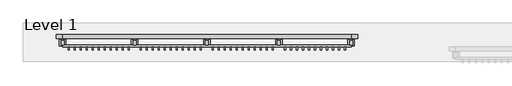
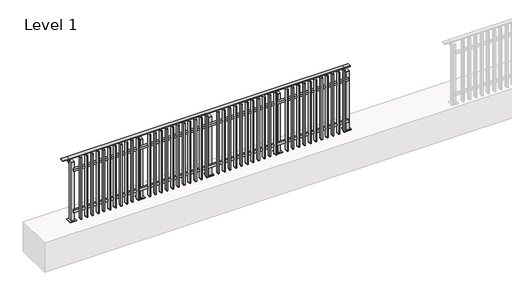
# One storey, part 4 of 17: 1 railing.
"""IFC4 building model written with IfcOpenShell, lengths in millimetres."""

from ifc_helpers import new_model, si_unit, point, frame, frame_2d, origin, origin_with_axes, place, context, project, spatial, polyline, circle_curve, trimmed, segment, composite_curve, outline, extrude, faceted_brep, element, save

model = new_model("IFC4")

# Units and contexts
model_context = context("Model", 3, world=origin())
ifc_project = project(units=[si_unit("LENGTHUNIT", "METRE", prefix="MILLI")], contexts=[model_context])

# Site, building, storey
site = spatial("IfcSite", under=ifc_project)
building = spatial("IfcBuilding", under=site)
storey = spatial("IfcBuildingStorey", under=building, Name="Level 1", Elevation=0.0)

# Railing
placement = place(None, origin())
element("IfcRailing", 1, at=placement, inside=storey, context=model_context, shape_type="SolidModel", body=[
    faceted_brep([(0.0, 315.1846828, 985.0), (0.0, 315.1846828, 1000.0), (4400.0, 315.1846828, 1000.0), (4400.0, 315.1846828, 985.0), (0.0, 255.1846828, 985.0), (4400.0, 255.1846828, 985.0), (0.0, 255.1846828, 1000.0), (4400.0, 255.1846828, 1000.0), (-100.0, 315.1846828, 1000.0), (-100.0, 315.1846828, 985.0), (-100.0, 255.1846828, 985.0), (-100.0, 255.1846828, 1000.0), (4500.0, 315.1846828, 1000.0), (4500.0, 255.1846828, 1000.0), (4500.0, 255.1846828, 985.0), (4500.0, 315.1846828, 985.0)], [[[0, 1, 2, 3]], [[4, 0, 3, 5]], [[6, 4, 5, 7]], [[1, 6, 7, 2]], [[8, 9, 10, 11]], [[9, 8, 1, 0]], [[10, 9, 0, 4]], [[11, 10, 4, 6]], [[8, 11, 6, 1]], [[12, 13, 14, 15]], [[3, 2, 12, 15]], [[5, 3, 15, 14]], [[7, 5, 14, 13]], [[2, 7, 13, 12]]]),
    extrude(outline(polyline([(0.0, 125.6846828), (0.0, 157.6846828), (4400.0, 157.6846828), (4400.0, 125.6846828), (0.0, 125.6846828)])), frame((0.0, 0.0, 164.0), z_axis=(0.0, 0.0, 1.0), x_axis=(1.0, 0.0, 0.0)), (0.0, 0.0, 1.0), 36.0),
    extrude(outline(polyline([(0.0, 125.6846828), (0.0, 157.6846828), (4400.0, 157.6846828), (4400.0, 125.6846828), (0.0, 125.6846828)])), frame((0.0, 0.0, 864.0), z_axis=(0.0, 0.0, 1.0), x_axis=(1.0, 0.0, 0.0)), (0.0, 0.0, 1.0), 36.0),
    extrude(outline(polyline([(4316.8333333, 125.6846828), (4316.8333333, 76.6846828), (4299.8333333, 76.6846828), (4299.8333333, 125.6846828), (4316.8333333, 125.6846828)])), frame((0.0, 0.0, 50.0), z_axis=(0.0, 0.0, 1.0), x_axis=(1.0, 0.0, 0.0)), (0.0, 0.0, 1.0), 5.0),
    extrude(outline(polyline([(4316.8333333, 125.6846828), (4316.8333333, 76.6846828), (4299.8333333, 76.6846828), (4299.8333333, 125.6846828), (4316.8333333, 125.6846828)])), frame((0.0, 0.0, 1095.0), z_axis=(0.0, 0.0, 1.0), x_axis=(1.0, 0.0, 0.0)), (0.0, 0.0, 1.0), 5.0),
    extrude(outline(polyline([(4299.8333333, 76.6846828), (4299.8333333, 125.6846828), (4316.8333333, 125.6846828), (4316.8333333, 76.6846828), (4299.8333333, 76.6846828)])), frame((0.0, 0.0, 55.0), z_axis=(0.0, 0.0, 1.0), x_axis=(1.0, 0.0, 0.0)), (0.0, 0.0, 1.0), 1040.0),
    extrude(outline(polyline([(4225.1666667, 125.6846828), (4225.1666667, 76.6846828), (4208.1666667, 76.6846828), (4208.1666667, 125.6846828), (4225.1666667, 125.6846828)])), frame((0.0, 0.0, 50.0), z_axis=(0.0, 0.0, 1.0), x_axis=(1.0, 0.0, 0.0)), (0.0, 0.0, 1.0), 5.0),
    extrude(outline(polyline([(4225.1666667, 125.6846828), (4225.1666667, 76.6846828), (4208.1666667, 76.6846828), (4208.1666667, 125.6846828), (4225.1666667, 125.6846828)])), frame((0.0, 0.0, 1095.0), z_axis=(0.0, 0.0, 1.0), x_axis=(1.0, 0.0, 0.0)), (0.0, 0.0, 1.0), 5.0),
    extrude(outline(polyline([(4208.1666667, 76.6846828), (4208.1666667, 125.6846828), (4225.1666667, 125.6846828), (4225.1666667, 76.6846828), (4208.1666667, 76.6846828)])), frame((0.0, 0.0, 55.0), z_axis=(0.0, 0.0, 1.0), x_axis=(1.0, 0.0, 0.0)), (0.0, 0.0, 1.0), 1040.0),
    extrude(outline(polyline([(4133.5, 125.6846828), (4133.5, 76.6846828), (4116.5, 76.6846828), (4116.5, 125.6846828), (4133.5, 125.6846828)])), frame((0.0, 0.0, 50.0), z_axis=(0.0, 0.0, 1.0), x_axis=(1.0, 0.0, 0.0)), (0.0, 0.0, 1.0), 5.0),
    extrude(outline(polyline([(4133.5, 125.6846828), (4133.5, 76.6846828), (4116.5, 76.6846828), (4116.5, 125.6846828), (4133.5, 125.6846828)])), frame((0.0, 0.0, 1095.0), z_axis=(0.0, 0.0, 1.0), x_axis=(1.0, 0.0, 0.0)), (0.0, 0.0, 1.0), 5.0),
    extrude(outline(polyline([(4116.5, 76.6846828), (4116.5, 125.6846828), (4133.5, 125.6846828), (4133.5, 76.6846828), (4116.5, 76.6846828)])), frame((0.0, 0.0, 55.0), z_axis=(0.0, 0.0, 1.0), x_axis=(1.0, 0.0, 0.0)), (0.0, 0.0, 1.0), 1040.0),
    extrude(outline(polyline([(4041.8333333, 125.6846828), (4041.8333333, 76.6846828), (4024.8333333, 76.6846828), (4024.8333333, 125.6846828), (4041.8333333, 125.6846828)])), frame((0.0, 0.0, 50.0), z_axis=(0.0, 0.0, 1.0), x_axis=(1.0, 0.0, 0.0)), (0.0, 0.0, 1.0), 5.0),
    extrude(outline(polyline([(4041.8333333, 125.6846828), (4041.8333333, 76.6846828), (4024.8333333, 76.6846828), (4024.8333333, 125.6846828), (4041.8333333, 125.6846828)])), frame((0.0, 0.0, 1095.0), z_axis=(0.0, 0.0, 1.0), x_axis=(1.0, 0.0, 0.0)), (0.0, 0.0, 1.0), 5.0),
    extrude(outline(polyline([(4024.8333333, 76.6846828), (4024.8333333, 125.6846828), (4041.8333333, 125.6846828), (4041.8333333, 76.6846828), (4024.8333333, 76.6846828)])), frame((0.0, 0.0, 55.0), z_axis=(0.0, 0.0, 1.0), x_axis=(1.0, 0.0, 0.0)), (0.0, 0.0, 1.0), 1040.0),
    extrude(outline(polyline([(3950.1666667, 125.6846828), (3950.1666667, 76.6846828), (3933.1666667, 76.6846828), (3933.1666667, 125.6846828), (3950.1666667, 125.6846828)])), frame((0.0, 0.0, 50.0), z_axis=(0.0, 0.0, 1.0), x_axis=(1.0, 0.0, 0.0)), (0.0, 0.0, 1.0), 5.0),
    extrude(outline(polyline([(3950.1666667, 125.6846828), (3950.1666667, 76.6846828), (3933.1666667, 76.6846828), (3933.1666667, 125.6846828), (3950.1666667, 125.6846828)])), frame((0.0, 0.0, 1095.0), z_axis=(0.0, 0.0, 1.0), x_axis=(1.0, 0.0, 0.0)), (0.0, 0.0, 1.0), 5.0),
    extrude(outline(polyline([(3933.1666667, 76.6846828), (3933.1666667, 125.6846828), (3950.1666667, 125.6846828), (3950.1666667, 76.6846828), (3933.1666667, 76.6846828)])), frame((0.0, 0.0, 55.0), z_axis=(0.0, 0.0, 1.0), x_axis=(1.0, 0.0, 0.0)), (0.0, 0.0, 1.0), 1040.0),
    extrude(outline(polyline([(3858.5, 125.6846828), (3858.5, 76.6846828), (3841.5, 76.6846828), (3841.5, 125.6846828), (3858.5, 125.6846828)])), frame((0.0, 0.0, 50.0), z_axis=(0.0, 0.0, 1.0), x_axis=(1.0, 0.0, 0.0)), (0.0, 0.0, 1.0), 5.0),
    extrude(outline(polyline([(3858.5, 125.6846828), (3858.5, 76.6846828), (3841.5, 76.6846828), (3841.5, 125.6846828), (3858.5, 125.6846828)])), frame((0.0, 0.0, 1095.0), z_axis=(0.0, 0.0, 1.0), x_axis=(1.0, 0.0, 0.0)), (0.0, 0.0, 1.0), 5.0),
    extrude(outline(polyline([(3841.5, 76.6846828), (3841.5, 125.6846828), (3858.5, 125.6846828), (3858.5, 76.6846828), (3841.5, 76.6846828)])), frame((0.0, 0.0, 55.0), z_axis=(0.0, 0.0, 1.0), x_axis=(1.0, 0.0, 0.0)), (0.0, 0.0, 1.0), 1040.0),
    extrude(outline(polyline([(3766.8333333, 125.6846828), (3766.8333333, 76.6846828), (3749.8333333, 76.6846828), (3749.8333333, 125.6846828), (3766.8333333, 125.6846828)])), frame((0.0, 0.0, 50.0), z_axis=(0.0, 0.0, 1.0), x_axis=(1.0, 0.0, 0.0)), (0.0, 0.0, 1.0), 5.0),
    extrude(outline(polyline([(3766.8333333, 125.6846828), (3766.8333333, 76.6846828), (3749.8333333, 76.6846828), (3749.8333333, 125.6846828), (3766.8333333, 125.6846828)])), frame((0.0, 0.0, 1095.0), z_axis=(0.0, 0.0, 1.0), x_axis=(1.0, 0.0, 0.0)), (0.0, 0.0, 1.0), 5.0),
    extrude(outline(polyline([(3749.8333333, 76.6846828), (3749.8333333, 125.6846828), (3766.8333333, 125.6846828), (3766.8333333, 76.6846828), (3749.8333333, 76.6846828)])), frame((0.0, 0.0, 55.0), z_axis=(0.0, 0.0, 1.0), x_axis=(1.0, 0.0, 0.0)), (0.0, 0.0, 1.0), 1040.0),
    extrude(outline(polyline([(3675.1666667, 125.6846828), (3675.1666667, 76.6846828), (3658.1666667, 76.6846828), (3658.1666667, 125.6846828), (3675.1666667, 125.6846828)])), frame((0.0, 0.0, 50.0), z_axis=(0.0, 0.0, 1.0), x_axis=(1.0, 0.0, 0.0)), (0.0, 0.0, 1.0), 5.0),
    extrude(outline(polyline([(3675.1666667, 125.6846828), (3675.1666667, 76.6846828), (3658.1666667, 76.6846828), (3658.1666667, 125.6846828), (3675.1666667, 125.6846828)])), frame((0.0, 0.0, 1095.0), z_axis=(0.0, 0.0, 1.0), x_axis=(1.0, 0.0, 0.0)), (0.0, 0.0, 1.0), 5.0),
    extrude(outline(polyline([(3658.1666667, 76.6846828), (3658.1666667, 125.6846828), (3675.1666667, 125.6846828), (3675.1666667, 76.6846828), (3658.1666667, 76.6846828)])), frame((0.0, 0.0, 55.0), z_axis=(0.0, 0.0, 1.0), x_axis=(1.0, 0.0, 0.0)), (0.0, 0.0, 1.0), 1040.0),
    extrude(outline(polyline([(3583.5, 125.6846828), (3583.5, 76.6846828), (3566.5, 76.6846828), (3566.5, 125.6846828), (3583.5, 125.6846828)])), frame((0.0, 0.0, 50.0), z_axis=(0.0, 0.0, 1.0), x_axis=(1.0, 0.0, 0.0)), (0.0, 0.0, 1.0), 5.0),
    extrude(outline(polyline([(3583.5, 125.6846828), (3583.5, 76.6846828), (3566.5, 76.6846828), (3566.5, 125.6846828), (3583.5, 125.6846828)])), frame((0.0, 0.0, 1095.0), z_axis=(0.0, 0.0, 1.0), x_axis=(1.0, 0.0, 0.0)), (0.0, 0.0, 1.0), 5.0),
    extrude(outline(polyline([(3566.5, 76.6846828), (3566.5, 125.6846828), (3583.5, 125.6846828), (3583.5, 76.6846828), (3566.5, 76.6846828)])), frame((0.0, 0.0, 55.0), z_axis=(0.0, 0.0, 1.0), x_axis=(1.0, 0.0, 0.0)), (0.0, 0.0, 1.0), 1040.0),
    extrude(outline(polyline([(3491.8333333, 125.6846828), (3491.8333333, 76.6846828), (3474.8333333, 76.6846828), (3474.8333333, 125.6846828), (3491.8333333, 125.6846828)])), frame((0.0, 0.0, 50.0), z_axis=(0.0, 0.0, 1.0), x_axis=(1.0, 0.0, 0.0)), (0.0, 0.0, 1.0), 5.0),
    extrude(outline(polyline([(3491.8333333, 125.6846828), (3491.8333333, 76.6846828), (3474.8333333, 76.6846828), (3474.8333333, 125.6846828), (3491.8333333, 125.6846828)])), frame((0.0, 0.0, 1095.0), z_axis=(0.0, 0.0, 1.0), x_axis=(1.0, 0.0, 0.0)), (0.0, 0.0, 1.0), 5.0),
    extrude(outline(polyline([(3474.8333333, 76.6846828), (3474.8333333, 125.6846828), (3491.8333333, 125.6846828), (3491.8333333, 76.6846828), (3474.8333333, 76.6846828)])), frame((0.0, 0.0, 55.0), z_axis=(0.0, 0.0, 1.0), x_axis=(1.0, 0.0, 0.0)), (0.0, 0.0, 1.0), 1040.0),
    extrude(outline(polyline([(3400.1666667, 125.6846828), (3400.1666667, 76.6846828), (3383.1666667, 76.6846828), (3383.1666667, 125.6846828), (3400.1666667, 125.6846828)])), frame((0.0, 0.0, 50.0), z_axis=(0.0, 0.0, 1.0), x_axis=(1.0, 0.0, 0.0)), (0.0, 0.0, 1.0), 5.0),
    extrude(outline(polyline([(3400.1666667, 125.6846828), (3400.1666667, 76.6846828), (3383.1666667, 76.6846828), (3383.1666667, 125.6846828), (3400.1666667, 125.6846828)])), frame((0.0, 0.0, 1095.0), z_axis=(0.0, 0.0, 1.0), x_axis=(1.0, 0.0, 0.0)), (0.0, 0.0, 1.0), 5.0),
    extrude(outline(polyline([(3383.1666667, 76.6846828), (3383.1666667, 125.6846828), (3400.1666667, 125.6846828), (3400.1666667, 76.6846828), (3383.1666667, 76.6846828)])), frame((0.0, 0.0, 55.0), z_axis=(0.0, 0.0, 1.0), x_axis=(1.0, 0.0, 0.0)), (0.0, 0.0, 1.0), 1040.0),
    extrude(outline(composite_curve([segment(polyline([(310.6846828, 985.0), (310.6846828, 960.900037)]), True, "CONTINUOUS"), segment(trimmed(circle_curve(frame_2d((300.6846828, 960.900037)), 10.0), [point((310.6846828, 960.900037))], [point((303.2728733, 951.2407787))], False, "CARTESIAN"), True, "CONTINUOUS"), segment(polyline([(303.2728733, 951.2407787), (246.2244733, 935.9547061)]), True, "CONTINUOUS"), segment(trimmed(circle_curve(frame_2d((248.8126638, 926.2954478)), 10.0), [point((246.2244733, 935.9547061))], [point((238.8982152, 927.6007097))], True, "CARTESIAN"), True, "CONTINUOUS"), segment(polyline([(238.8982152, 927.6007097), (234.291393, 892.6084214)]), True, "CONTINUOUS"), segment(trimmed(circle_curve(frame_2d((231.3170584, 893.0)), 3.0), [point((234.291393, 892.6084214))], [point((231.3170584, 890.0))], False, "CARTESIAN"), True, "CONTINUOUS"), segment(polyline([(231.3170584, 890.0), (222.6846828, 890.0), (222.6846828, 940.0), (286.6846828, 957.1487483), (286.6846828, 985.0), (310.6846828, 985.0)]), True, "CONTINUOUS")], self_intersect=False)), frame((3287.5, 0.0, 0.0), z_axis=(1.0, 0.0, 0.0), x_axis=(0.0, 1.0, 0.0)), (0.0, 0.0, 1.0), 25.0),
    extrude(outline(polyline([(3322.5, 222.6846828), (3322.5, 157.6846828), (3277.5, 157.6846828), (3277.5, 222.6846828), (3322.5, 222.6846828)])), frame((0.0, 0.0, 1000.0), z_axis=(0.0, 0.0, 1.0), x_axis=(1.0, 0.0, 0.0)), (0.0, 0.0, 1.0), 5.0),
    extrude(outline(polyline([(3350.0, 240.1846828), (3350.0, 140.1846828), (3250.0, 140.1846828), (3250.0, 240.1846828), (3350.0, 240.1846828)])), origin_with_axes(), (0.0, 0.0, 1.0), 12.0),
    extrude(outline(polyline([(3322.5, 222.6846828), (3322.5, 157.6846828), (3277.5, 157.6846828), (3277.5, 222.6846828), (3322.5, 222.6846828)])), frame((0.0, 0.0, 12.0), z_axis=(0.0, 0.0, 1.0), x_axis=(1.0, 0.0, 0.0)), (0.0, 0.0, 1.0), 988.0),
    extrude(outline(polyline([(3216.8333333, 125.6846828), (3216.8333333, 76.6846828), (3199.8333333, 76.6846828), (3199.8333333, 125.6846828), (3216.8333333, 125.6846828)])), frame((0.0, 0.0, 50.0), z_axis=(0.0, 0.0, 1.0), x_axis=(1.0, 0.0, 0.0)), (0.0, 0.0, 1.0), 5.0),
    extrude(outline(polyline([(3216.8333333, 125.6846828), (3216.8333333, 76.6846828), (3199.8333333, 76.6846828), (3199.8333333, 125.6846828), (3216.8333333, 125.6846828)])), frame((0.0, 0.0, 1095.0), z_axis=(0.0, 0.0, 1.0), x_axis=(1.0, 0.0, 0.0)), (0.0, 0.0, 1.0), 5.0),
    extrude(outline(polyline([(3199.8333333, 76.6846828), (3199.8333333, 125.6846828), (3216.8333333, 125.6846828), (3216.8333333, 76.6846828), (3199.8333333, 76.6846828)])), frame((0.0, 0.0, 55.0), z_axis=(0.0, 0.0, 1.0), x_axis=(1.0, 0.0, 0.0)), (0.0, 0.0, 1.0), 1040.0),
    extrude(outline(polyline([(3125.1666667, 125.6846828), (3125.1666667, 76.6846828), (3108.1666667, 76.6846828), (3108.1666667, 125.6846828), (3125.1666667, 125.6846828)])), frame((0.0, 0.0, 50.0), z_axis=(0.0, 0.0, 1.0), x_axis=(1.0, 0.0, 0.0)), (0.0, 0.0, 1.0), 5.0),
    extrude(outline(polyline([(3125.1666667, 125.6846828), (3125.1666667, 76.6846828), (3108.1666667, 76.6846828), (3108.1666667, 125.6846828), (3125.1666667, 125.6846828)])), frame((0.0, 0.0, 1095.0), z_axis=(0.0, 0.0, 1.0), x_axis=(1.0, 0.0, 0.0)), (0.0, 0.0, 1.0), 5.0),
    extrude(outline(polyline([(3108.1666667, 76.6846828), (3108.1666667, 125.6846828), (3125.1666667, 125.6846828), (3125.1666667, 76.6846828), (3108.1666667, 76.6846828)])), frame((0.0, 0.0, 55.0), z_axis=(0.0, 0.0, 1.0), x_axis=(1.0, 0.0, 0.0)), (0.0, 0.0, 1.0), 1040.0),
    extrude(outline(polyline([(3033.5, 125.6846828), (3033.5, 76.6846828), (3016.5, 76.6846828), (3016.5, 125.6846828), (3033.5, 125.6846828)])), frame((0.0, 0.0, 50.0), z_axis=(0.0, 0.0, 1.0), x_axis=(1.0, 0.0, 0.0)), (0.0, 0.0, 1.0), 5.0),
    extrude(outline(polyline([(3033.5, 125.6846828), (3033.5, 76.6846828), (3016.5, 76.6846828), (3016.5, 125.6846828), (3033.5, 125.6846828)])), frame((0.0, 0.0, 1095.0), z_axis=(0.0, 0.0, 1.0), x_axis=(1.0, 0.0, 0.0)), (0.0, 0.0, 1.0), 5.0),
    extrude(outline(polyline([(3016.5, 76.6846828), (3016.5, 125.6846828), (3033.5, 125.6846828), (3033.5, 76.6846828), (3016.5, 76.6846828)])), frame((0.0, 0.0, 55.0), z_axis=(0.0, 0.0, 1.0), x_axis=(1.0, 0.0, 0.0)), (0.0, 0.0, 1.0), 1040.0),
    extrude(outline(polyline([(2941.8333333, 125.6846828), (2941.8333333, 76.6846828), (2924.8333333, 76.6846828), (2924.8333333, 125.6846828), (2941.8333333, 125.6846828)])), frame((0.0, 0.0, 50.0), z_axis=(0.0, 0.0, 1.0), x_axis=(1.0, 0.0, 0.0)), (0.0, 0.0, 1.0), 5.0),
    extrude(outline(polyline([(2941.8333333, 125.6846828), (2941.8333333, 76.6846828), (2924.8333333, 76.6846828), (2924.8333333, 125.6846828), (2941.8333333, 125.6846828)])), frame((0.0, 0.0, 1095.0), z_axis=(0.0, 0.0, 1.0), x_axis=(1.0, 0.0, 0.0)), (0.0, 0.0, 1.0), 5.0),
    extrude(outline(polyline([(2924.8333333, 76.6846828), (2924.8333333, 125.6846828), (2941.8333333, 125.6846828), (2941.8333333, 76.6846828), (2924.8333333, 76.6846828)])), frame((0.0, 0.0, 55.0), z_axis=(0.0, 0.0, 1.0), x_axis=(1.0, 0.0, 0.0)), (0.0, 0.0, 1.0), 1040.0),
    extrude(outline(polyline([(2850.1666667, 125.6846828), (2850.1666667, 76.6846828), (2833.1666667, 76.6846828), (2833.1666667, 125.6846828), (2850.1666667, 125.6846828)])), frame((0.0, 0.0, 50.0), z_axis=(0.0, 0.0, 1.0), x_axis=(1.0, 0.0, 0.0)), (0.0, 0.0, 1.0), 5.0),
    extrude(outline(polyline([(2850.1666667, 125.6846828), (2850.1666667, 76.6846828), (2833.1666667, 76.6846828), (2833.1666667, 125.6846828), (2850.1666667, 125.6846828)])), frame((0.0, 0.0, 1095.0), z_axis=(0.0, 0.0, 1.0), x_axis=(1.0, 0.0, 0.0)), (0.0, 0.0, 1.0), 5.0),
    extrude(outline(polyline([(2833.1666667, 76.6846828), (2833.1666667, 125.6846828), (2850.1666667, 125.6846828), (2850.1666667, 76.6846828), (2833.1666667, 76.6846828)])), frame((0.0, 0.0, 55.0), z_axis=(0.0, 0.0, 1.0), x_axis=(1.0, 0.0, 0.0)), (0.0, 0.0, 1.0), 1040.0),
    extrude(outline(polyline([(2758.5, 125.6846828), (2758.5, 76.6846828), (2741.5, 76.6846828), (2741.5, 125.6846828), (2758.5, 125.6846828)])), frame((0.0, 0.0, 50.0), z_axis=(0.0, 0.0, 1.0), x_axis=(1.0, 0.0, 0.0)), (0.0, 0.0, 1.0), 5.0),
    extrude(outline(polyline([(2758.5, 125.6846828), (2758.5, 76.6846828), (2741.5, 76.6846828), (2741.5, 125.6846828), (2758.5, 125.6846828)])), frame((0.0, 0.0, 1095.0), z_axis=(0.0, 0.0, 1.0), x_axis=(1.0, 0.0, 0.0)), (0.0, 0.0, 1.0), 5.0),
    extrude(outline(polyline([(2741.5, 76.6846828), (2741.5, 125.6846828), (2758.5, 125.6846828), (2758.5, 76.6846828), (2741.5, 76.6846828)])), frame((0.0, 0.0, 55.0), z_axis=(0.0, 0.0, 1.0), x_axis=(1.0, 0.0, 0.0)), (0.0, 0.0, 1.0), 1040.0),
    extrude(outline(polyline([(2666.8333333, 125.6846828), (2666.8333333, 76.6846828), (2649.8333333, 76.6846828), (2649.8333333, 125.6846828), (2666.8333333, 125.6846828)])), frame((0.0, 0.0, 50.0), z_axis=(0.0, 0.0, 1.0), x_axis=(1.0, 0.0, 0.0)), (0.0, 0.0, 1.0), 5.0),
    extrude(outline(polyline([(2666.8333333, 125.6846828), (2666.8333333, 76.6846828), (2649.8333333, 76.6846828), (2649.8333333, 125.6846828), (2666.8333333, 125.6846828)])), frame((0.0, 0.0, 1095.0), z_axis=(0.0, 0.0, 1.0), x_axis=(1.0, 0.0, 0.0)), (0.0, 0.0, 1.0), 5.0),
    extrude(outline(polyline([(2649.8333333, 76.6846828), (2649.8333333, 125.6846828), (2666.8333333, 125.6846828), (2666.8333333, 76.6846828), (2649.8333333, 76.6846828)])), frame((0.0, 0.0, 55.0), z_axis=(0.0, 0.0, 1.0), x_axis=(1.0, 0.0, 0.0)), (0.0, 0.0, 1.0), 1040.0),
    extrude(outline(polyline([(2575.1666667, 125.6846828), (2575.1666667, 76.6846828), (2558.1666667, 76.6846828), (2558.1666667, 125.6846828), (2575.1666667, 125.6846828)])), frame((0.0, 0.0, 50.0), z_axis=(0.0, 0.0, 1.0), x_axis=(1.0, 0.0, 0.0)), (0.0, 0.0, 1.0), 5.0),
    extrude(outline(polyline([(2575.1666667, 125.6846828), (2575.1666667, 76.6846828), (2558.1666667, 76.6846828), (2558.1666667, 125.6846828), (2575.1666667, 125.6846828)])), frame((0.0, 0.0, 1095.0), z_axis=(0.0, 0.0, 1.0), x_axis=(1.0, 0.0, 0.0)), (0.0, 0.0, 1.0), 5.0),
    extrude(outline(polyline([(2558.1666667, 76.6846828), (2558.1666667, 125.6846828), (2575.1666667, 125.6846828), (2575.1666667, 76.6846828), (2558.1666667, 76.6846828)])), frame((0.0, 0.0, 55.0), z_axis=(0.0, 0.0, 1.0), x_axis=(1.0, 0.0, 0.0)), (0.0, 0.0, 1.0), 1040.0),
    extrude(outline(polyline([(2483.5, 125.6846828), (2483.5, 76.6846828), (2466.5, 76.6846828), (2466.5, 125.6846828), (2483.5, 125.6846828)])), frame((0.0, 0.0, 50.0), z_axis=(0.0, 0.0, 1.0), x_axis=(1.0, 0.0, 0.0)), (0.0, 0.0, 1.0), 5.0),
    extrude(outline(polyline([(2483.5, 125.6846828), (2483.5, 76.6846828), (2466.5, 76.6846828), (2466.5, 125.6846828), (2483.5, 125.6846828)])), frame((0.0, 0.0, 1095.0), z_axis=(0.0, 0.0, 1.0), x_axis=(1.0, 0.0, 0.0)), (0.0, 0.0, 1.0), 5.0),
    extrude(outline(polyline([(2466.5, 76.6846828), (2466.5, 125.6846828), (2483.5, 125.6846828), (2483.5, 76.6846828), (2466.5, 76.6846828)])), frame((0.0, 0.0, 55.0), z_axis=(0.0, 0.0, 1.0), x_axis=(1.0, 0.0, 0.0)), (0.0, 0.0, 1.0), 1040.0),
    extrude(outline(polyline([(2391.8333333, 125.6846828), (2391.8333333, 76.6846828), (2374.8333333, 76.6846828), (2374.8333333, 125.6846828), (2391.8333333, 125.6846828)])), frame((0.0, 0.0, 50.0), z_axis=(0.0, 0.0, 1.0), x_axis=(1.0, 0.0, 0.0)), (0.0, 0.0, 1.0), 5.0),
    extrude(outline(polyline([(2391.8333333, 125.6846828), (2391.8333333, 76.6846828), (2374.8333333, 76.6846828), (2374.8333333, 125.6846828), (2391.8333333, 125.6846828)])), frame((0.0, 0.0, 1095.0), z_axis=(0.0, 0.0, 1.0), x_axis=(1.0, 0.0, 0.0)), (0.0, 0.0, 1.0), 5.0),
    extrude(outline(polyline([(2374.8333333, 76.6846828), (2374.8333333, 125.6846828), (2391.8333333, 125.6846828), (2391.8333333, 76.6846828), (2374.8333333, 76.6846828)])), frame((0.0, 0.0, 55.0), z_axis=(0.0, 0.0, 1.0), x_axis=(1.0, 0.0, 0.0)), (0.0, 0.0, 1.0), 1040.0),
    extrude(outline(polyline([(2300.1666667, 125.6846828), (2300.1666667, 76.6846828), (2283.1666667, 76.6846828), (2283.1666667, 125.6846828), (2300.1666667, 125.6846828)])), frame((0.0, 0.0, 50.0), z_axis=(0.0, 0.0, 1.0), x_axis=(1.0, 0.0, 0.0)), (0.0, 0.0, 1.0), 5.0),
    extrude(outline(polyline([(2300.1666667, 125.6846828), (2300.1666667, 76.6846828), (2283.1666667, 76.6846828), (2283.1666667, 125.6846828), (2300.1666667, 125.6846828)])), frame((0.0, 0.0, 1095.0), z_axis=(0.0, 0.0, 1.0), x_axis=(1.0, 0.0, 0.0)), (0.0, 0.0, 1.0), 5.0),
    extrude(outline(polyline([(2283.1666667, 76.6846828), (2283.1666667, 125.6846828), (2300.1666667, 125.6846828), (2300.1666667, 76.6846828), (2283.1666667, 76.6846828)])), frame((0.0, 0.0, 55.0), z_axis=(0.0, 0.0, 1.0), x_axis=(1.0, 0.0, 0.0)), (0.0, 0.0, 1.0), 1040.0),
    extrude(outline(composite_curve([segment(polyline([(310.6846828, 985.0), (310.6846828, 960.900037)]), True, "CONTINUOUS"), segment(trimmed(circle_curve(frame_2d((300.6846828, 960.900037)), 10.0), [point((310.6846828, 960.900037))], [point((303.2728733, 951.2407787))], False, "CARTESIAN"), True, "CONTINUOUS"), segment(polyline([(303.2728733, 951.2407787), (246.2244733, 935.9547061)]), True, "CONTINUOUS"), segment(trimmed(circle_curve(frame_2d((248.8126638, 926.2954478)), 10.0), [point((246.2244733, 935.9547061))], [point((238.8982152, 927.6007097))], True, "CARTESIAN"), True, "CONTINUOUS"), segment(polyline([(238.8982152, 927.6007097), (234.291393, 892.6084214)]), True, "CONTINUOUS"), segment(trimmed(circle_curve(frame_2d((231.3170584, 893.0)), 3.0), [point((234.291393, 892.6084214))], [point((231.3170584, 890.0))], False, "CARTESIAN"), True, "CONTINUOUS"), segment(polyline([(231.3170584, 890.0), (222.6846828, 890.0), (222.6846828, 940.0), (286.6846828, 957.1487483), (286.6846828, 985.0), (310.6846828, 985.0)]), True, "CONTINUOUS")], self_intersect=False)), frame((2187.5, 0.0, 0.0), z_axis=(1.0, 0.0, 0.0), x_axis=(0.0, 1.0, 0.0)), (0.0, 0.0, 1.0), 25.0),
    extrude(outline(polyline([(2222.5, 222.6846828), (2222.5, 157.6846828), (2177.5, 157.6846828), (2177.5, 222.6846828), (2222.5, 222.6846828)])), frame((0.0, 0.0, 1000.0), z_axis=(0.0, 0.0, 1.0), x_axis=(1.0, 0.0, 0.0)), (0.0, 0.0, 1.0), 5.0),
    extrude(outline(polyline([(2250.0, 240.1846828), (2250.0, 140.1846828), (2150.0, 140.1846828), (2150.0, 240.1846828), (2250.0, 240.1846828)])), origin_with_axes(), (0.0, 0.0, 1.0), 12.0),
    extrude(outline(polyline([(2222.5, 222.6846828), (2222.5, 157.6846828), (2177.5, 157.6846828), (2177.5, 222.6846828), (2222.5, 222.6846828)])), frame((0.0, 0.0, 12.0), z_axis=(0.0, 0.0, 1.0), x_axis=(1.0, 0.0, 0.0)), (0.0, 0.0, 1.0), 988.0),
    extrude(outline(polyline([(2116.8333333, 125.6846828), (2116.8333333, 76.6846828), (2099.8333333, 76.6846828), (2099.8333333, 125.6846828), (2116.8333333, 125.6846828)])), frame((0.0, 0.0, 50.0), z_axis=(0.0, 0.0, 1.0), x_axis=(1.0, 0.0, 0.0)), (0.0, 0.0, 1.0), 5.0),
    extrude(outline(polyline([(2116.8333333, 125.6846828), (2116.8333333, 76.6846828), (2099.8333333, 76.6846828), (2099.8333333, 125.6846828), (2116.8333333, 125.6846828)])), frame((0.0, 0.0, 1095.0), z_axis=(0.0, 0.0, 1.0), x_axis=(1.0, 0.0, 0.0)), (0.0, 0.0, 1.0), 5.0),
    extrude(outline(polyline([(2099.8333333, 76.6846828), (2099.8333333, 125.6846828), (2116.8333333, 125.6846828), (2116.8333333, 76.6846828), (2099.8333333, 76.6846828)])), frame((0.0, 0.0, 55.0), z_axis=(0.0, 0.0, 1.0), x_axis=(1.0, 0.0, 0.0)), (0.0, 0.0, 1.0), 1040.0),
    extrude(outline(polyline([(2025.1666667, 125.6846828), (2025.1666667, 76.6846828), (2008.1666667, 76.6846828), (2008.1666667, 125.6846828), (2025.1666667, 125.6846828)])), frame((0.0, 0.0, 50.0), z_axis=(0.0, 0.0, 1.0), x_axis=(1.0, 0.0, 0.0)), (0.0, 0.0, 1.0), 5.0),
    extrude(outline(polyline([(2025.1666667, 125.6846828), (2025.1666667, 76.6846828), (2008.1666667, 76.6846828), (2008.1666667, 125.6846828), (2025.1666667, 125.6846828)])), frame((0.0, 0.0, 1095.0), z_axis=(0.0, 0.0, 1.0), x_axis=(1.0, 0.0, 0.0)), (0.0, 0.0, 1.0), 5.0),
    extrude(outline(polyline([(2008.1666667, 76.6846828), (2008.1666667, 125.6846828), (2025.1666667, 125.6846828), (2025.1666667, 76.6846828), (2008.1666667, 76.6846828)])), frame((0.0, 0.0, 55.0), z_axis=(0.0, 0.0, 1.0), x_axis=(1.0, 0.0, 0.0)), (0.0, 0.0, 1.0), 1040.0),
    extrude(outline(polyline([(1933.5, 125.6846828), (1933.5, 76.6846828), (1916.5, 76.6846828), (1916.5, 125.6846828), (1933.5, 125.6846828)])), frame((0.0, 0.0, 50.0), z_axis=(0.0, 0.0, 1.0), x_axis=(1.0, 0.0, 0.0)), (0.0, 0.0, 1.0), 5.0),
    extrude(outline(polyline([(1933.5, 125.6846828), (1933.5, 76.6846828), (1916.5, 76.6846828), (1916.5, 125.6846828), (1933.5, 125.6846828)])), frame((0.0, 0.0, 1095.0), z_axis=(0.0, 0.0, 1.0), x_axis=(1.0, 0.0, 0.0)), (0.0, 0.0, 1.0), 5.0),
    extrude(outline(polyline([(1916.5, 76.6846828), (1916.5, 125.6846828), (1933.5, 125.6846828), (1933.5, 76.6846828), (1916.5, 76.6846828)])), frame((0.0, 0.0, 55.0), z_axis=(0.0, 0.0, 1.0), x_axis=(1.0, 0.0, 0.0)), (0.0, 0.0, 1.0), 1040.0),
    extrude(outline(polyline([(1841.8333333, 125.6846828), (1841.8333333, 76.6846828), (1824.8333333, 76.6846828), (1824.8333333, 125.6846828), (1841.8333333, 125.6846828)])), frame((0.0, 0.0, 50.0), z_axis=(0.0, 0.0, 1.0), x_axis=(1.0, 0.0, 0.0)), (0.0, 0.0, 1.0), 5.0),
    extrude(outline(polyline([(1841.8333333, 125.6846828), (1841.8333333, 76.6846828), (1824.8333333, 76.6846828), (1824.8333333, 125.6846828), (1841.8333333, 125.6846828)])), frame((0.0, 0.0, 1095.0), z_axis=(0.0, 0.0, 1.0), x_axis=(1.0, 0.0, 0.0)), (0.0, 0.0, 1.0), 5.0),
    extrude(outline(polyline([(1824.8333333, 76.6846828), (1824.8333333, 125.6846828), (1841.8333333, 125.6846828), (1841.8333333, 76.6846828), (1824.8333333, 76.6846828)])), frame((0.0, 0.0, 55.0), z_axis=(0.0, 0.0, 1.0), x_axis=(1.0, 0.0, 0.0)), (0.0, 0.0, 1.0), 1040.0),
    extrude(outline(polyline([(1750.1666667, 125.6846828), (1750.1666667, 76.6846828), (1733.1666667, 76.6846828), (1733.1666667, 125.6846828), (1750.1666667, 125.6846828)])), frame((0.0, 0.0, 50.0), z_axis=(0.0, 0.0, 1.0), x_axis=(1.0, 0.0, 0.0)), (0.0, 0.0, 1.0), 5.0),
    extrude(outline(polyline([(1750.1666667, 125.6846828), (1750.1666667, 76.6846828), (1733.1666667, 76.6846828), (1733.1666667, 125.6846828), (1750.1666667, 125.6846828)])), frame((0.0, 0.0, 1095.0), z_axis=(0.0, 0.0, 1.0), x_axis=(1.0, 0.0, 0.0)), (0.0, 0.0, 1.0), 5.0),
    extrude(outline(polyline([(1733.1666667, 76.6846828), (1733.1666667, 125.6846828), (1750.1666667, 125.6846828), (1750.1666667, 76.6846828), (1733.1666667, 76.6846828)])), frame((0.0, 0.0, 55.0), z_axis=(0.0, 0.0, 1.0), x_axis=(1.0, 0.0, 0.0)), (0.0, 0.0, 1.0), 1040.0),
    extrude(outline(polyline([(1658.5, 125.6846828), (1658.5, 76.6846828), (1641.5, 76.6846828), (1641.5, 125.6846828), (1658.5, 125.6846828)])), frame((0.0, 0.0, 50.0), z_axis=(0.0, 0.0, 1.0), x_axis=(1.0, 0.0, 0.0)), (0.0, 0.0, 1.0), 5.0),
    extrude(outline(polyline([(1658.5, 125.6846828), (1658.5, 76.6846828), (1641.5, 76.6846828), (1641.5, 125.6846828), (1658.5, 125.6846828)])), frame((0.0, 0.0, 1095.0), z_axis=(0.0, 0.0, 1.0), x_axis=(1.0, 0.0, 0.0)), (0.0, 0.0, 1.0), 5.0),
    extrude(outline(polyline([(1641.5, 76.6846828), (1641.5, 125.6846828), (1658.5, 125.6846828), (1658.5, 76.6846828), (1641.5, 76.6846828)])), frame((0.0, 0.0, 55.0), z_axis=(0.0, 0.0, 1.0), x_axis=(1.0, 0.0, 0.0)), (0.0, 0.0, 1.0), 1040.0),
    extrude(outline(polyline([(1566.8333333, 125.6846828), (1566.8333333, 76.6846828), (1549.8333333, 76.6846828), (1549.8333333, 125.6846828), (1566.8333333, 125.6846828)])), frame((0.0, 0.0, 50.0), z_axis=(0.0, 0.0, 1.0), x_axis=(1.0, 0.0, 0.0)), (0.0, 0.0, 1.0), 5.0),
    extrude(outline(polyline([(1566.8333333, 125.6846828), (1566.8333333, 76.6846828), (1549.8333333, 76.6846828), (1549.8333333, 125.6846828), (1566.8333333, 125.6846828)])), frame((0.0, 0.0, 1095.0), z_axis=(0.0, 0.0, 1.0), x_axis=(1.0, 0.0, 0.0)), (0.0, 0.0, 1.0), 5.0),
    extrude(outline(polyline([(1549.8333333, 76.6846828), (1549.8333333, 125.6846828), (1566.8333333, 125.6846828), (1566.8333333, 76.6846828), (1549.8333333, 76.6846828)])), frame((0.0, 0.0, 55.0), z_axis=(0.0, 0.0, 1.0), x_axis=(1.0, 0.0, 0.0)), (0.0, 0.0, 1.0), 1040.0),
    extrude(outline(polyline([(1475.1666667, 125.6846828), (1475.1666667, 76.6846828), (1458.1666667, 76.6846828), (1458.1666667, 125.6846828), (1475.1666667, 125.6846828)])), frame((0.0, 0.0, 50.0), z_axis=(0.0, 0.0, 1.0), x_axis=(1.0, 0.0, 0.0)), (0.0, 0.0, 1.0), 5.0),
    extrude(outline(polyline([(1475.1666667, 125.6846828), (1475.1666667, 76.6846828), (1458.1666667, 76.6846828), (1458.1666667, 125.6846828), (1475.1666667, 125.6846828)])), frame((0.0, 0.0, 1095.0), z_axis=(0.0, 0.0, 1.0), x_axis=(1.0, 0.0, 0.0)), (0.0, 0.0, 1.0), 5.0),
    extrude(outline(polyline([(1458.1666667, 76.6846828), (1458.1666667, 125.6846828), (1475.1666667, 125.6846828), (1475.1666667, 76.6846828), (1458.1666667, 76.6846828)])), frame((0.0, 0.0, 55.0), z_axis=(0.0, 0.0, 1.0), x_axis=(1.0, 0.0, 0.0)), (0.0, 0.0, 1.0), 1040.0),
    extrude(outline(polyline([(1383.5, 125.6846828), (1383.5, 76.6846828), (1366.5, 76.6846828), (1366.5, 125.6846828), (1383.5, 125.6846828)])), frame((0.0, 0.0, 50.0), z_axis=(0.0, 0.0, 1.0), x_axis=(1.0, 0.0, 0.0)), (0.0, 0.0, 1.0), 5.0),
    extrude(outline(polyline([(1383.5, 125.6846828), (1383.5, 76.6846828), (1366.5, 76.6846828), (1366.5, 125.6846828), (1383.5, 125.6846828)])), frame((0.0, 0.0, 1095.0), z_axis=(0.0, 0.0, 1.0), x_axis=(1.0, 0.0, 0.0)), (0.0, 0.0, 1.0), 5.0),
    extrude(outline(polyline([(1366.5, 76.6846828), (1366.5, 125.6846828), (1383.5, 125.6846828), (1383.5, 76.6846828), (1366.5, 76.6846828)])), frame((0.0, 0.0, 55.0), z_axis=(0.0, 0.0, 1.0), x_axis=(1.0, 0.0, 0.0)), (0.0, 0.0, 1.0), 1040.0),
    extrude(outline(polyline([(1291.8333333, 125.6846828), (1291.8333333, 76.6846828), (1274.8333333, 76.6846828), (1274.8333333, 125.6846828), (1291.8333333, 125.6846828)])), frame((0.0, 0.0, 50.0), z_axis=(0.0, 0.0, 1.0), x_axis=(1.0, 0.0, 0.0)), (0.0, 0.0, 1.0), 5.0),
    extrude(outline(polyline([(1291.8333333, 125.6846828), (1291.8333333, 76.6846828), (1274.8333333, 76.6846828), (1274.8333333, 125.6846828), (1291.8333333, 125.6846828)])), frame((0.0, 0.0, 1095.0), z_axis=(0.0, 0.0, 1.0), x_axis=(1.0, 0.0, 0.0)), (0.0, 0.0, 1.0), 5.0),
    extrude(outline(polyline([(1274.8333333, 76.6846828), (1274.8333333, 125.6846828), (1291.8333333, 125.6846828), (1291.8333333, 76.6846828), (1274.8333333, 76.6846828)])), frame((0.0, 0.0, 55.0), z_axis=(0.0, 0.0, 1.0), x_axis=(1.0, 0.0, 0.0)), (0.0, 0.0, 1.0), 1040.0),
    extrude(outline(polyline([(1200.1666667, 125.6846828), (1200.1666667, 76.6846828), (1183.1666667, 76.6846828), (1183.1666667, 125.6846828), (1200.1666667, 125.6846828)])), frame((0.0, 0.0, 50.0), z_axis=(0.0, 0.0, 1.0), x_axis=(1.0, 0.0, 0.0)), (0.0, 0.0, 1.0), 5.0),
    extrude(outline(polyline([(1200.1666667, 125.6846828), (1200.1666667, 76.6846828), (1183.1666667, 76.6846828), (1183.1666667, 125.6846828), (1200.1666667, 125.6846828)])), frame((0.0, 0.0, 1095.0), z_axis=(0.0, 0.0, 1.0), x_axis=(1.0, 0.0, 0.0)), (0.0, 0.0, 1.0), 5.0),
    extrude(outline(polyline([(1183.1666667, 76.6846828), (1183.1666667, 125.6846828), (1200.1666667, 125.6846828), (1200.1666667, 76.6846828), (1183.1666667, 76.6846828)])), frame((0.0, 0.0, 55.0), z_axis=(0.0, 0.0, 1.0), x_axis=(1.0, 0.0, 0.0)), (0.0, 0.0, 1.0), 1040.0),
    extrude(outline(composite_curve([segment(polyline([(310.6846828, 985.0), (310.6846828, 960.900037)]), True, "CONTINUOUS"), segment(trimmed(circle_curve(frame_2d((300.6846828, 960.900037)), 10.0), [point((310.6846828, 960.900037))], [point((303.2728733, 951.2407787))], False, "CARTESIAN"), True, "CONTINUOUS"), segment(polyline([(303.2728733, 951.2407787), (246.2244733, 935.9547061)]), True, "CONTINUOUS"), segment(trimmed(circle_curve(frame_2d((248.8126638, 926.2954478)), 10.0), [point((246.2244733, 935.9547061))], [point((238.8982152, 927.6007097))], True, "CARTESIAN"), True, "CONTINUOUS"), segment(polyline([(238.8982152, 927.6007097), (234.291393, 892.6084214)]), True, "CONTINUOUS"), segment(trimmed(circle_curve(frame_2d((231.3170584, 893.0)), 3.0), [point((234.291393, 892.6084214))], [point((231.3170584, 890.0))], False, "CARTESIAN"), True, "CONTINUOUS"), segment(polyline([(231.3170584, 890.0), (222.6846828, 890.0), (222.6846828, 940.0), (286.6846828, 957.1487483), (286.6846828, 985.0), (310.6846828, 985.0)]), True, "CONTINUOUS")], self_intersect=False)), frame((1087.5, 0.0, 0.0), z_axis=(1.0, 0.0, 0.0), x_axis=(0.0, 1.0, 0.0)), (0.0, 0.0, 1.0), 25.0),
    extrude(outline(polyline([(1122.5, 222.6846828), (1122.5, 157.6846828), (1077.5, 157.6846828), (1077.5, 222.6846828), (1122.5, 222.6846828)])), frame((0.0, 0.0, 1000.0), z_axis=(0.0, 0.0, 1.0), x_axis=(1.0, 0.0, 0.0)), (0.0, 0.0, 1.0), 5.0),
    extrude(outline(polyline([(1150.0, 240.1846828), (1150.0, 140.1846828), (1050.0, 140.1846828), (1050.0, 240.1846828), (1150.0, 240.1846828)])), origin_with_axes(), (0.0, 0.0, 1.0), 12.0),
    extrude(outline(polyline([(1122.5, 222.6846828), (1122.5, 157.6846828), (1077.5, 157.6846828), (1077.5, 222.6846828), (1122.5, 222.6846828)])), frame((0.0, 0.0, 12.0), z_axis=(0.0, 0.0, 1.0), x_axis=(1.0, 0.0, 0.0)), (0.0, 0.0, 1.0), 988.0),
    extrude(outline(polyline([(1016.8333333, 125.6846828), (1016.8333333, 76.6846828), (999.8333333, 76.6846828), (999.8333333, 125.6846828), (1016.8333333, 125.6846828)])), frame((0.0, 0.0, 50.0), z_axis=(0.0, 0.0, 1.0), x_axis=(1.0, 0.0, 0.0)), (0.0, 0.0, 1.0), 5.0),
    extrude(outline(polyline([(1016.8333333, 125.6846828), (1016.8333333, 76.6846828), (999.8333333, 76.6846828), (999.8333333, 125.6846828), (1016.8333333, 125.6846828)])), frame((0.0, 0.0, 1095.0), z_axis=(0.0, 0.0, 1.0), x_axis=(1.0, 0.0, 0.0)), (0.0, 0.0, 1.0), 5.0),
    extrude(outline(polyline([(999.8333333, 76.6846828), (999.8333333, 125.6846828), (1016.8333333, 125.6846828), (1016.8333333, 76.6846828), (999.8333333, 76.6846828)])), frame((0.0, 0.0, 55.0), z_axis=(0.0, 0.0, 1.0), x_axis=(1.0, 0.0, 0.0)), (0.0, 0.0, 1.0), 1040.0),
    extrude(outline(polyline([(925.1666667, 125.6846828), (925.1666667, 76.6846828), (908.1666667, 76.6846828), (908.1666667, 125.6846828), (925.1666667, 125.6846828)])), frame((0.0, 0.0, 50.0), z_axis=(0.0, 0.0, 1.0), x_axis=(1.0, 0.0, 0.0)), (0.0, 0.0, 1.0), 5.0),
    extrude(outline(polyline([(925.1666667, 125.6846828), (925.1666667, 76.6846828), (908.1666667, 76.6846828), (908.1666667, 125.6846828), (925.1666667, 125.6846828)])), frame((0.0, 0.0, 1095.0), z_axis=(0.0, 0.0, 1.0), x_axis=(1.0, 0.0, 0.0)), (0.0, 0.0, 1.0), 5.0),
    extrude(outline(polyline([(908.1666667, 76.6846828), (908.1666667, 125.6846828), (925.1666667, 125.6846828), (925.1666667, 76.6846828), (908.1666667, 76.6846828)])), frame((0.0, 0.0, 55.0), z_axis=(0.0, 0.0, 1.0), x_axis=(1.0, 0.0, 0.0)), (0.0, 0.0, 1.0), 1040.0),
    extrude(outline(polyline([(833.5, 125.6846828), (833.5, 76.6846828), (816.5, 76.6846828), (816.5, 125.6846828), (833.5, 125.6846828)])), frame((0.0, 0.0, 50.0), z_axis=(0.0, 0.0, 1.0), x_axis=(1.0, 0.0, 0.0)), (0.0, 0.0, 1.0), 5.0),
    extrude(outline(polyline([(833.5, 125.6846828), (833.5, 76.6846828), (816.5, 76.6846828), (816.5, 125.6846828), (833.5, 125.6846828)])), frame((0.0, 0.0, 1095.0), z_axis=(0.0, 0.0, 1.0), x_axis=(1.0, 0.0, 0.0)), (0.0, 0.0, 1.0), 5.0),
    extrude(outline(polyline([(816.5, 76.6846828), (816.5, 125.6846828), (833.5, 125.6846828), (833.5, 76.6846828), (816.5, 76.6846828)])), frame((0.0, 0.0, 55.0), z_axis=(0.0, 0.0, 1.0), x_axis=(1.0, 0.0, 0.0)), (0.0, 0.0, 1.0), 1040.0),
    extrude(outline(polyline([(741.8333333, 125.6846828), (741.8333333, 76.6846828), (724.8333333, 76.6846828), (724.8333333, 125.6846828), (741.8333333, 125.6846828)])), frame((0.0, 0.0, 50.0), z_axis=(0.0, 0.0, 1.0), x_axis=(1.0, 0.0, 0.0)), (0.0, 0.0, 1.0), 5.0),
    extrude(outline(polyline([(741.8333333, 125.6846828), (741.8333333, 76.6846828), (724.8333333, 76.6846828), (724.8333333, 125.6846828), (741.8333333, 125.6846828)])), frame((0.0, 0.0, 1095.0), z_axis=(0.0, 0.0, 1.0), x_axis=(1.0, 0.0, 0.0)), (0.0, 0.0, 1.0), 5.0),
    extrude(outline(polyline([(724.8333333, 76.6846828), (724.8333333, 125.6846828), (741.8333333, 125.6846828), (741.8333333, 76.6846828), (724.8333333, 76.6846828)])), frame((0.0, 0.0, 55.0), z_axis=(0.0, 0.0, 1.0), x_axis=(1.0, 0.0, 0.0)), (0.0, 0.0, 1.0), 1040.0),
    extrude(outline(polyline([(650.1666667, 125.6846828), (650.1666667, 76.6846828), (633.1666667, 76.6846828), (633.1666667, 125.6846828), (650.1666667, 125.6846828)])), frame((0.0, 0.0, 50.0), z_axis=(0.0, 0.0, 1.0), x_axis=(1.0, 0.0, 0.0)), (0.0, 0.0, 1.0), 5.0),
    extrude(outline(polyline([(650.1666667, 125.6846828), (650.1666667, 76.6846828), (633.1666667, 76.6846828), (633.1666667, 125.6846828), (650.1666667, 125.6846828)])), frame((0.0, 0.0, 1095.0), z_axis=(0.0, 0.0, 1.0), x_axis=(1.0, 0.0, 0.0)), (0.0, 0.0, 1.0), 5.0),
    extrude(outline(polyline([(633.1666667, 76.6846828), (633.1666667, 125.6846828), (650.1666667, 125.6846828), (650.1666667, 76.6846828), (633.1666667, 76.6846828)])), frame((0.0, 0.0, 55.0), z_axis=(0.0, 0.0, 1.0), x_axis=(1.0, 0.0, 0.0)), (0.0, 0.0, 1.0), 1040.0),
    extrude(outline(polyline([(558.5, 125.6846828), (558.5, 76.6846828), (541.5, 76.6846828), (541.5, 125.6846828), (558.5, 125.6846828)])), frame((0.0, 0.0, 50.0), z_axis=(0.0, 0.0, 1.0), x_axis=(1.0, 0.0, 0.0)), (0.0, 0.0, 1.0), 5.0),
    extrude(outline(polyline([(558.5, 125.6846828), (558.5, 76.6846828), (541.5, 76.6846828), (541.5, 125.6846828), (558.5, 125.6846828)])), frame((0.0, 0.0, 1095.0), z_axis=(0.0, 0.0, 1.0), x_axis=(1.0, 0.0, 0.0)), (0.0, 0.0, 1.0), 5.0),
    extrude(outline(polyline([(541.5, 76.6846828), (541.5, 125.6846828), (558.5, 125.6846828), (558.5, 76.6846828), (541.5, 76.6846828)])), frame((0.0, 0.0, 55.0), z_axis=(0.0, 0.0, 1.0), x_axis=(1.0, 0.0, 0.0)), (0.0, 0.0, 1.0), 1040.0),
    extrude(outline(polyline([(466.8333333, 125.6846828), (466.8333333, 76.6846828), (449.8333333, 76.6846828), (449.8333333, 125.6846828), (466.8333333, 125.6846828)])), frame((0.0, 0.0, 50.0), z_axis=(0.0, 0.0, 1.0), x_axis=(1.0, 0.0, 0.0)), (0.0, 0.0, 1.0), 5.0),
    extrude(outline(polyline([(466.8333333, 125.6846828), (466.8333333, 76.6846828), (449.8333333, 76.6846828), (449.8333333, 125.6846828), (466.8333333, 125.6846828)])), frame((0.0, 0.0, 1095.0), z_axis=(0.0, 0.0, 1.0), x_axis=(1.0, 0.0, 0.0)), (0.0, 0.0, 1.0), 5.0),
    extrude(outline(polyline([(449.8333333, 76.6846828), (449.8333333, 125.6846828), (466.8333333, 125.6846828), (466.8333333, 76.6846828), (449.8333333, 76.6846828)])), frame((0.0, 0.0, 55.0), z_axis=(0.0, 0.0, 1.0), x_axis=(1.0, 0.0, 0.0)), (0.0, 0.0, 1.0), 1040.0),
    extrude(outline(polyline([(375.1666667, 125.6846828), (375.1666667, 76.6846828), (358.1666667, 76.6846828), (358.1666667, 125.6846828), (375.1666667, 125.6846828)])), frame((0.0, 0.0, 50.0), z_axis=(0.0, 0.0, 1.0), x_axis=(1.0, 0.0, 0.0)), (0.0, 0.0, 1.0), 5.0),
    extrude(outline(polyline([(375.1666667, 125.6846828), (375.1666667, 76.6846828), (358.1666667, 76.6846828), (358.1666667, 125.6846828), (375.1666667, 125.6846828)])), frame((0.0, 0.0, 1095.0), z_axis=(0.0, 0.0, 1.0), x_axis=(1.0, 0.0, 0.0)), (0.0, 0.0, 1.0), 5.0),
    extrude(outline(polyline([(358.1666667, 76.6846828), (358.1666667, 125.6846828), (375.1666667, 125.6846828), (375.1666667, 76.6846828), (358.1666667, 76.6846828)])), frame((0.0, 0.0, 55.0), z_axis=(0.0, 0.0, 1.0), x_axis=(1.0, 0.0, 0.0)), (0.0, 0.0, 1.0), 1040.0),
    extrude(outline(polyline([(283.5, 125.6846828), (283.5, 76.6846828), (266.5, 76.6846828), (266.5, 125.6846828), (283.5, 125.6846828)])), frame((0.0, 0.0, 50.0), z_axis=(0.0, 0.0, 1.0), x_axis=(1.0, 0.0, 0.0)), (0.0, 0.0, 1.0), 5.0),
    extrude(outline(polyline([(283.5, 125.6846828), (283.5, 76.6846828), (266.5, 76.6846828), (266.5, 125.6846828), (283.5, 125.6846828)])), frame((0.0, 0.0, 1095.0), z_axis=(0.0, 0.0, 1.0), x_axis=(1.0, 0.0, 0.0)), (0.0, 0.0, 1.0), 5.0),
    extrude(outline(polyline([(266.5, 76.6846828), (266.5, 125.6846828), (283.5, 125.6846828), (283.5, 76.6846828), (266.5, 76.6846828)])), frame((0.0, 0.0, 55.0), z_axis=(0.0, 0.0, 1.0), x_axis=(1.0, 0.0, 0.0)), (0.0, 0.0, 1.0), 1040.0),
    extrude(outline(polyline([(191.8333333, 125.6846828), (191.8333333, 76.6846828), (174.8333333, 76.6846828), (174.8333333, 125.6846828), (191.8333333, 125.6846828)])), frame((0.0, 0.0, 50.0), z_axis=(0.0, 0.0, 1.0), x_axis=(1.0, 0.0, 0.0)), (0.0, 0.0, 1.0), 5.0),
    extrude(outline(polyline([(191.8333333, 125.6846828), (191.8333333, 76.6846828), (174.8333333, 76.6846828), (174.8333333, 125.6846828), (191.8333333, 125.6846828)])), frame((0.0, 0.0, 1095.0), z_axis=(0.0, 0.0, 1.0), x_axis=(1.0, 0.0, 0.0)), (0.0, 0.0, 1.0), 5.0),
    extrude(outline(polyline([(174.8333333, 76.6846828), (174.8333333, 125.6846828), (191.8333333, 125.6846828), (191.8333333, 76.6846828), (174.8333333, 76.6846828)])), frame((0.0, 0.0, 55.0), z_axis=(0.0, 0.0, 1.0), x_axis=(1.0, 0.0, 0.0)), (0.0, 0.0, 1.0), 1040.0),
    extrude(outline(polyline([(100.1666667, 125.6846828), (100.1666667, 76.6846828), (83.1666667, 76.6846828), (83.1666667, 125.6846828), (100.1666667, 125.6846828)])), frame((0.0, 0.0, 50.0), z_axis=(0.0, 0.0, 1.0), x_axis=(1.0, 0.0, 0.0)), (0.0, 0.0, 1.0), 5.0),
    extrude(outline(polyline([(100.1666667, 125.6846828), (100.1666667, 76.6846828), (83.1666667, 76.6846828), (83.1666667, 125.6846828), (100.1666667, 125.6846828)])), frame((0.0, 0.0, 1095.0), z_axis=(0.0, 0.0, 1.0), x_axis=(1.0, 0.0, 0.0)), (0.0, 0.0, 1.0), 5.0),
    extrude(outline(polyline([(83.1666667, 76.6846828), (83.1666667, 125.6846828), (100.1666667, 125.6846828), (100.1666667, 76.6846828), (83.1666667, 76.6846828)])), frame((0.0, 0.0, 55.0), z_axis=(0.0, 0.0, 1.0), x_axis=(1.0, 0.0, 0.0)), (0.0, 0.0, 1.0), 1040.0),
    extrude(outline(composite_curve([segment(polyline([(310.6846828, 985.0), (310.6846828, 960.900037)]), True, "CONTINUOUS"), segment(trimmed(circle_curve(frame_2d((300.6846828, 960.900037)), 10.0), [point((310.6846828, 960.900037))], [point((303.2728733, 951.2407787))], False, "CARTESIAN"), True, "CONTINUOUS"), segment(polyline([(303.2728733, 951.2407787), (246.2244733, 935.9547061)]), True, "CONTINUOUS"), segment(trimmed(circle_curve(frame_2d((248.8126638, 926.2954478)), 10.0), [point((246.2244733, 935.9547061))], [point((238.8982152, 927.6007097))], True, "CARTESIAN"), True, "CONTINUOUS"), segment(polyline([(238.8982152, 927.6007097), (234.291393, 892.6084214)]), True, "CONTINUOUS"), segment(trimmed(circle_curve(frame_2d((231.3170584, 893.0)), 3.0), [point((234.291393, 892.6084214))], [point((231.3170584, 890.0))], False, "CARTESIAN"), True, "CONTINUOUS"), segment(polyline([(231.3170584, 890.0), (222.6846828, 890.0), (222.6846828, 940.0), (286.6846828, 957.1487483), (286.6846828, 985.0), (310.6846828, 985.0)]), True, "CONTINUOUS")], self_intersect=False)), frame((4387.5, 0.0, 0.0), z_axis=(1.0, 0.0, 0.0), x_axis=(0.0, 1.0, 0.0)), (0.0, 0.0, 1.0), 25.0),
    extrude(outline(polyline([(4422.5, 222.6846828), (4422.5, 157.6846828), (4377.5, 157.6846828), (4377.5, 222.6846828), (4422.5, 222.6846828)])), frame((0.0, 0.0, 1000.0), z_axis=(0.0, 0.0, 1.0), x_axis=(1.0, 0.0, 0.0)), (0.0, 0.0, 1.0), 5.0),
    extrude(outline(polyline([(4450.0, 240.1846828), (4450.0, 140.1846828), (4350.0, 140.1846828), (4350.0, 240.1846828), (4450.0, 240.1846828)])), origin_with_axes(), (0.0, 0.0, 1.0), 12.0),
    extrude(outline(polyline([(4422.5, 222.6846828), (4422.5, 157.6846828), (4377.5, 157.6846828), (4377.5, 222.6846828), (4422.5, 222.6846828)])), frame((0.0, 0.0, 12.0), z_axis=(0.0, 0.0, 1.0), x_axis=(1.0, 0.0, 0.0)), (0.0, 0.0, 1.0), 988.0),
    extrude(outline(composite_curve([segment(polyline([(310.6846828, 985.0), (310.6846828, 960.900037)]), True, "CONTINUOUS"), segment(trimmed(circle_curve(frame_2d((300.6846828, 960.900037)), 10.0), [point((310.6846828, 960.900037))], [point((303.2728733, 951.2407787))], False, "CARTESIAN"), True, "CONTINUOUS"), segment(polyline([(303.2728733, 951.2407787), (246.2244733, 935.9547061)]), True, "CONTINUOUS"), segment(trimmed(circle_curve(frame_2d((248.8126638, 926.2954478)), 10.0), [point((246.2244733, 935.9547061))], [point((238.8982152, 927.6007097))], True, "CARTESIAN"), True, "CONTINUOUS"), segment(polyline([(238.8982152, 927.6007097), (234.291393, 892.6084214)]), True, "CONTINUOUS"), segment(trimmed(circle_curve(frame_2d((231.3170584, 893.0)), 3.0), [point((234.291393, 892.6084214))], [point((231.3170584, 890.0))], False, "CARTESIAN"), True, "CONTINUOUS"), segment(polyline([(231.3170584, 890.0), (222.6846828, 890.0), (222.6846828, 940.0), (286.6846828, 957.1487483), (286.6846828, 985.0), (310.6846828, 985.0)]), True, "CONTINUOUS")], self_intersect=False)), frame((-12.5, 0.0, 0.0), z_axis=(1.0, 0.0, 0.0), x_axis=(0.0, 1.0, 0.0)), (0.0, 0.0, 1.0), 25.0),
    extrude(outline(polyline([(22.5, 222.6846828), (22.5, 157.6846828), (-22.5, 157.6846828), (-22.5, 222.6846828), (22.5, 222.6846828)])), frame((0.0, 0.0, 1000.0), z_axis=(0.0, 0.0, 1.0), x_axis=(1.0, 0.0, 0.0)), (0.0, 0.0, 1.0), 5.0),
    extrude(outline(polyline([(50.0, 240.1846828), (50.0, 140.1846828), (-50.0, 140.1846828), (-50.0, 240.1846828), (50.0, 240.1846828)])), origin_with_axes(), (0.0, 0.0, 1.0), 12.0),
    extrude(outline(polyline([(22.5, 222.6846828), (22.5, 157.6846828), (-22.5, 157.6846828), (-22.5, 222.6846828), (22.5, 222.6846828)])), frame((0.0, 0.0, 12.0), z_axis=(0.0, 0.0, 1.0), x_axis=(1.0, 0.0, 0.0)), (0.0, 0.0, 1.0), 988.0),
])

save(model, "model.ifc")
